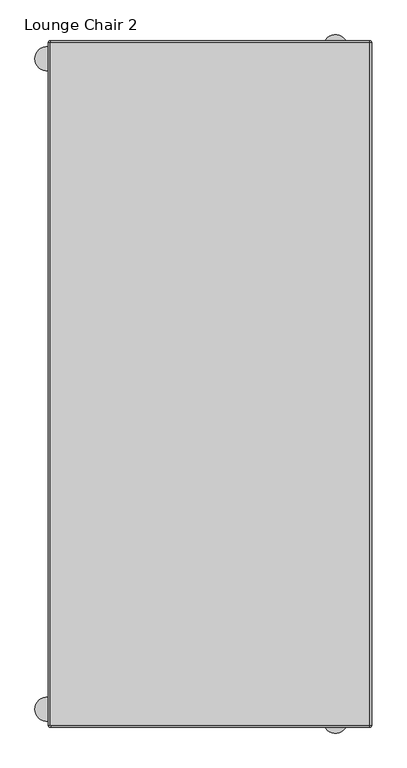
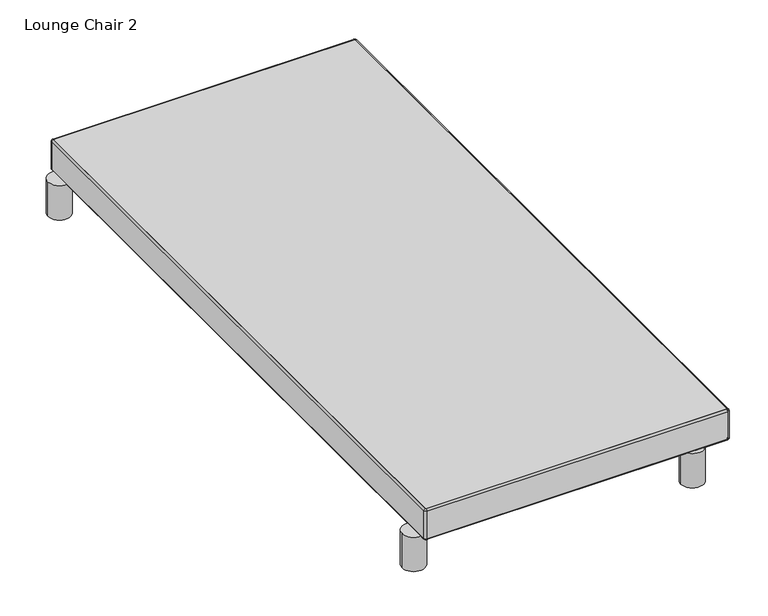
"""IFC4 building model written with IfcOpenShell, lengths in millimetres: furniture geometry, Lounge Chair 2."""

from ifc_helpers import new_model, si_unit, point, frame, frame_2d, origin, origin_with_axes, place, context, project, spatial, polyline, circle_curve, ellipse_curve, trimmed, segment, composite_curve, outline, extrude, source, transform, mapped, element, save
from ifc_brep_helpers import plane_surface, cylinder_surface, revolved_surface, advanced_brep


def lounge_chair_2_d383d413(model_context):
    return source(origin(), model_context, "Body", "SolidModel", [
        advanced_brep(
        [(381.6350121, -720.6249637, 145.9935673), (381.6350121, -720.6249637, 81.2235613), (381.6350121, 720.6249637, 81.2235613), (381.6350121, 720.6249637, 145.9935673), (376.5550121, 725.7049637, 81.2235613), (376.5550121, 725.7049637, 145.9935673), (-297.1800061, 725.7049637, 81.2235613), (-297.1800061, 725.7049637, 145.9935673), (-302.2600061, 720.6249637, 81.2235613), (-302.2600061, 720.6249637, 145.9935673), (-302.2600061, -720.6249637, 81.2235613), (-302.2600061, -720.6249637, 145.9935673), (-297.1800061, -725.7049637, 81.2235613), (-297.1800061, -725.7049637, 145.9935673), (376.5550121, -725.7049637, 81.2235613), (376.5550121, -725.7049637, 145.9935673), (376.5550121, -725.0699879, 145.9935673), (376.5550121, -725.0699879, 81.2235613), (-297.1800061, -725.0699879, 81.2235613), (-297.1800061, -725.0699879, 145.9935673), (-298.4500061, -723.7999879, 81.2235613), (-298.4500061, -723.7999879, 145.9935673), (-298.4500061, -720.6249637, 81.2235613), (-298.4500061, -720.6249637, 77.4135613), (-298.4500061, 720.6249637, 77.4135613), (-298.4500061, 720.6249637, 81.2235613), (-298.4500061, 720.6249637, 145.9935673), (-298.4500061, 720.6249637, 149.8035673), (-298.4500061, -720.6249637, 149.8035673), (-298.4500061, -720.6249637, 145.9935673), (-297.1800061, 721.8949637, 81.2235613), (-297.1800061, 721.8949637, 145.9935673), (-297.1800061, 721.8949637, 77.4135613), (376.5550121, 721.8949637, 77.4135613), (376.5550121, 721.8949637, 81.2235613), (376.5550121, 721.8949637, 145.9935673), (376.5550121, 721.8949637, 149.8035673), (-297.1800061, 721.8949637, 149.8035673), (377.8250121, 720.6249637, 81.2235613), (377.8250121, 720.6249637, 145.9935673), (377.8250121, 720.6249637, 77.4135613), (377.8250121, -720.6249637, 77.4135613), (377.8250121, -720.6249637, 81.2235613), (377.8250121, -723.7999879, 81.2235613), (377.8250121, -723.7999879, 145.9935673), (377.8250121, -720.6249637, 145.9935673), (377.8250121, -720.6249637, 149.8035673), (377.8250121, 720.6249637, 149.8035673), (-297.1800061, -721.8949637, 149.8035673), (-297.1800061, -721.8949637, 145.9935673), (-297.1800061, -721.8949637, 81.2235613), (-297.1800061, -721.8949637, 77.4135613), (376.5550121, -721.8949637, 149.8035673), (376.5550121, -721.8949637, 145.9935673), (376.5550121, -721.8949637, 81.2235613), (376.5550121, -721.8949637, 77.4135613)],
        [
            (0, 1),
            (1, 2),
            (2, 3),
            (3, 0),
            (2, 4, circle_curve(frame((376.5550121, 720.6249637, 81.2235613), z_axis=(0.0, 0.0, 1.0), x_axis=(0.0, -1.0, 0.0)), 5.08)),
            (4, 5),
            (5, 3, circle_curve(frame((376.5550121, 720.6249637, 145.9935673), z_axis=(0.0, 0.0, -1.0), x_axis=(0.0, -1.0, 0.0)), 5.08)),
            (4, 6),
            (6, 7),
            (7, 5),
            (6, 8, circle_curve(frame((-297.1800061, 720.6249637, 81.2235613), z_axis=(0.0, 0.0, 1.0), x_axis=(0.0, -1.0, 0.0)), 5.08)),
            (8, 9),
            (9, 7, circle_curve(frame((-297.1800061, 720.6249637, 145.9935673), z_axis=(0.0, 0.0, -1.0), x_axis=(0.0, -1.0, 0.0)), 5.08)),
            (8, 10),
            (10, 11),
            (11, 9),
            (10, 12, circle_curve(frame((-297.1800061, -720.6249637, 81.2235613), z_axis=(0.0, 0.0, 1.0), x_axis=(0.0, -1.0, 0.0)), 5.08)),
            (12, 13),
            (13, 11, circle_curve(frame((-297.1800061, -720.6249637, 145.9935673), z_axis=(0.0, 0.0, -1.0), x_axis=(0.0, -1.0, 0.0)), 5.08)),
            (12, 14),
            (14, 15),
            (15, 13),
            (0, 15, circle_curve(frame((376.5550121, -720.6249637, 145.9935673), z_axis=(0.0, 0.0, -1.0), x_axis=(0.0, -1.0, 0.0)), 5.08)),
            (14, 1, circle_curve(frame((376.5550121, -720.6249637, 81.2235613), z_axis=(0.0, 0.0, 1.0), x_axis=(0.0, -1.0, 0.0)), 5.08)),
            (16, 17),
            (17, 18),
            (18, 19),
            (19, 16),
            (18, 20, circle_curve(frame((-297.1800061, -723.7999879, 81.2235613), z_axis=(0.0, 0.0, -1.0), x_axis=(0.0, -1.0, 0.0)), 1.27)),
            (20, 21),
            (21, 19, circle_curve(frame((-297.1800061, -723.7999879, 145.9935673), z_axis=(0.0, 0.0, 1.0), x_axis=(0.0, -1.0, 0.0)), 1.27)),
            (20, 22),
            (22, 23),
            (23, 24),
            (24, 25),
            (25, 26),
            (26, 27),
            (27, 28),
            (28, 29),
            (29, 21),
            (25, 30, circle_curve(frame((-297.1800061, 720.6249637, 81.2235613), z_axis=(0.0, 0.0, -1.0), x_axis=(0.0, -1.0, 0.0)), 1.27)),
            (30, 31),
            (31, 26, circle_curve(frame((-297.1800061, 720.6249637, 145.9935673), z_axis=(0.0, 0.0, 1.0), x_axis=(0.0, -1.0, 0.0)), 1.27)),
            (30, 32),
            (32, 33),
            (33, 34),
            (34, 35),
            (35, 36),
            (36, 37),
            (37, 31),
            (34, 38, circle_curve(frame((376.5550121, 720.6249637, 81.2235613), z_axis=(0.0, 0.0, -1.0), x_axis=(0.0, -1.0, 0.0)), 1.27)),
            (38, 39),
            (39, 35, circle_curve(frame((376.5550121, 720.6249637, 145.9935673), z_axis=(0.0, 0.0, 1.0), x_axis=(0.0, -1.0, 0.0)), 1.27)),
            (38, 40),
            (40, 41),
            (41, 42),
            (42, 43),
            (43, 44),
            (44, 45),
            (45, 46),
            (46, 47),
            (47, 39),
            (16, 44, circle_curve(frame((376.5550121, -723.7999879, 145.9935673), z_axis=(0.0, 0.0, 1.0), x_axis=(0.0, -1.0, 0.0)), 1.27)),
            (43, 17, circle_curve(frame((376.5550121, -723.7999879, 81.2235613), z_axis=(0.0, 0.0, -1.0), x_axis=(0.0, -1.0, 0.0)), 1.27)),
            (46, 0, circle_curve(frame((377.8250121, -720.6249637, 145.9935673), z_axis=(0.0, 1.0, 0.0), x_axis=(-1.0, 0.0, 0.0)), 3.81)),
            (3, 47, circle_curve(frame((377.8250121, 720.6249637, 145.9935673), z_axis=(0.0, -1.0, 0.0), x_axis=(-1.0, 0.0, 0.0)), 3.81)),
            (40, 2, circle_curve(frame((377.8250121, 720.6249637, 81.2235613), z_axis=(0.0, -1.0, 0.0), x_axis=(-1.0, 0.0, 0.0)), 3.81)),
            (1, 41, circle_curve(frame((377.8250121, -720.6249637, 81.2235613), z_axis=(0.0, 1.0, 0.0), x_axis=(-1.0, 0.0, 0.0)), 3.81)),
            (36, 5, circle_curve(frame((376.5550121, 721.8949637, 145.9935673), z_axis=(-1.0, 0.0, 0.0), x_axis=(0.0, -1.0, 0.0)), 3.81)),
            (7, 37, circle_curve(frame((-297.1800061, 721.8949637, 145.9935673), z_axis=(1.0, 0.0, 0.0), x_axis=(0.0, -1.0, 0.0)), 3.81)),
            (32, 6, circle_curve(frame((-297.1800061, 721.8949637, 81.2235613), z_axis=(1.0, 0.0, 0.0), x_axis=(0.0, -1.0, 0.0)), 3.81)),
            (4, 33, circle_curve(frame((376.5550121, 721.8949637, 81.2235613), z_axis=(-1.0, 0.0, 0.0), x_axis=(0.0, -1.0, 0.0)), 3.81)),
            (27, 9, circle_curve(frame((-298.4500061, 720.6249637, 145.9935673), z_axis=(0.0, -1.0, 0.0), x_axis=(1.0, 0.0, 0.0)), 3.81)),
            (11, 28, circle_curve(frame((-298.4500061, -720.6249637, 145.9935673), z_axis=(0.0, 1.0, 0.0), x_axis=(1.0, 0.0, 0.0)), 3.81)),
            (23, 10, circle_curve(frame((-298.4500061, -720.6249637, 81.2235613), z_axis=(0.0, 1.0, 0.0), x_axis=(1.0, 0.0, 0.0)), 3.81)),
            (8, 24, circle_curve(frame((-298.4500061, 720.6249637, 81.2235613), z_axis=(0.0, -1.0, 0.0), x_axis=(1.0, 0.0, 0.0)), 3.81)),
            (36, 47, circle_curve(frame((376.5550121, 720.6249637, 149.8035673), z_axis=(0.0, 0.0, -1.0), x_axis=(1.0, 0.0, 0.0)), 1.27)),
            (33, 40, circle_curve(frame((376.5550121, 720.6249637, 77.4135613), z_axis=(0.0, 0.0, -1.0), x_axis=(1.0, 0.0, 0.0)), 1.27)),
            (27, 37, circle_curve(frame((-297.1800061, 720.6249637, 149.8035673), z_axis=(0.0, 0.0, -1.0), x_axis=(0.0, 1.0, 0.0)), 1.27)),
            (24, 32, circle_curve(frame((-297.1800061, 720.6249637, 77.4135613), z_axis=(0.0, 0.0, -1.0), x_axis=(0.0, 1.0, 0.0)), 1.27)),
            (13, 48, circle_curve(frame((-297.1800061, -721.8949637, 145.9935673), z_axis=(-1.0, 0.0, 0.0), x_axis=(0.0, 1.0, 0.0)), 3.81)),
            (48, 28, circle_curve(frame((-297.1800061, -720.6249637, 149.8035673), z_axis=(0.0, 0.0, -1.0), x_axis=(-1.0, 0.0, 0.0)), 1.27)),
            (48, 49),
            (49, 29, circle_curve(frame((-297.1800061, -720.6249637, 145.9935673), z_axis=(0.0, 0.0, -1.0), x_axis=(-1.0, 0.0, 0.0)), 1.27)),
            (22, 50, circle_curve(frame((-297.1800061, -720.6249637, 81.2235613), z_axis=(0.0, 0.0, 1.0), x_axis=(-1.0, 0.0, 0.0)), 1.27)),
            (50, 51),
            (51, 23, circle_curve(frame((-297.1800061, -720.6249637, 77.4135613), z_axis=(0.0, 0.0, -1.0), x_axis=(-1.0, 0.0, 0.0)), 1.27)),
            (51, 12, circle_curve(frame((-297.1800061, -721.8949637, 81.2235613), z_axis=(-1.0, 0.0, 0.0), x_axis=(0.0, 1.0, 0.0)), 3.81)),
            (15, 52, circle_curve(frame((376.5550121, -721.8949637, 145.9935673), z_axis=(-1.0, 0.0, 0.0), x_axis=(0.0, 1.0, 0.0)), 3.81)),
            (52, 48),
            (52, 53),
            (53, 49),
            (50, 54),
            (54, 55),
            (55, 51),
            (55, 14, circle_curve(frame((376.5550121, -721.8949637, 81.2235613), z_axis=(-1.0, 0.0, 0.0), x_axis=(0.0, 1.0, 0.0)), 3.81)),
            (53, 45, circle_curve(frame((376.5550121, -720.6249637, 145.9935673), z_axis=(0.0, 0.0, 1.0), x_axis=(0.0, -1.0, 0.0)), 1.27)),
            (46, 52, circle_curve(frame((376.5550121, -720.6249637, 149.8035673), z_axis=(0.0, 0.0, -1.0), x_axis=(0.0, -1.0, 0.0)), 1.27)),
            (41, 55, circle_curve(frame((376.5550121, -720.6249637, 77.4135613), z_axis=(0.0, 0.0, -1.0), x_axis=(0.0, -1.0, 0.0)), 1.27)),
            (54, 42, circle_curve(frame((376.5550121, -720.6249637, 81.2235613), z_axis=(0.0, 0.0, 1.0), x_axis=(0.0, -1.0, 0.0)), 1.27)),
        ],
        [
            plane_surface(frame((381.6350121, -720.6249637, 145.9935673), z_axis=(1.0, 0.0, 0.0), x_axis=(0.0, 0.0, -1.0))),
            cylinder_surface(frame((376.5550121, 720.6249637, 81.2235613), z_axis=(0.0, 0.0, 1.0), x_axis=(0.0, -1.0, 0.0)), 5.08),
            plane_surface(frame((376.5550121, 725.7049637, 145.9935673), z_axis=(0.0, 1.0, 0.0), x_axis=(0.0, 0.0, -1.0))),
            cylinder_surface(frame((-297.1800061, 720.6249637, 81.2235613), z_axis=(0.0, 0.0, 1.0), x_axis=(0.0, -1.0, 0.0)), 5.08),
            plane_surface(frame((-302.2600061, 720.6249637, 145.9935673), z_axis=(-1.0, 0.0, 0.0), x_axis=(0.0, 0.0, -1.0))),
            cylinder_surface(frame((-297.1800061, -720.6249637, 81.2235613), z_axis=(0.0, 0.0, 1.0), x_axis=(0.0, -1.0, 0.0)), 5.08),
            plane_surface(frame((-297.1800061, -725.7049637, 145.9935673), z_axis=(0.0, -1.0, 0.0), x_axis=(0.0, 0.0, -1.0))),
            cylinder_surface(frame((376.5550121, -720.6249637, 81.2235613), z_axis=(0.0, 0.0, 1.0), x_axis=(0.0, -1.0, 0.0)), 5.08),
            plane_surface(frame((376.5550121, -725.0699879, 145.9935673), z_axis=(0.0, 1.0, 0.0), x_axis=(0.0, 0.0, -1.0))),
            revolved_surface(polyline([(-297.1800061, -725.0699879, 81.2235613), (-297.1800061, -725.0699879, 145.9935673)]), (-297.1800061, -723.7999879, 81.2235613), (0.0, 0.0, -1.0)),
            plane_surface(frame((-298.4500061, -723.7999879, 145.9935673), z_axis=(1.0, 0.0, 0.0), x_axis=(0.0, 0.0, -1.0))),
            revolved_surface(polyline([(-297.1800061, 719.3549637, 81.2235613), (-297.1800061, 719.3549637, 145.9935673)]), (-297.1800061, 720.6249637, 81.2235613), (0.0, 0.0, -1.0)),
            plane_surface(frame((-297.1800061, 721.8949637, 145.9935673), z_axis=(0.0, -1.0, 0.0), x_axis=(0.0, 0.0, -1.0))),
            revolved_surface(polyline([(376.5550121, 719.3549637, 81.2235613), (376.5550121, 719.3549637, 145.9935673)]), (376.5550121, 720.6249637, 81.2235613), (0.0, 0.0, -1.0)),
            plane_surface(frame((377.8250121, 720.6249637, 145.9935673), z_axis=(-1.0, 0.0, 0.0), x_axis=(0.0, 0.0, -1.0))),
            revolved_surface(polyline([(376.5550121, -725.0699879, 81.2235613), (376.5550121, -725.0699879, 145.9935673)]), (376.5550121, -723.7999879, 81.2235613), (0.0, 0.0, -1.0)),
            cylinder_surface(frame((377.8250121, -720.6249637, 145.9935673), z_axis=(0.0, -1.0, 0.0), x_axis=(-1.0, 0.0, 0.0)), 3.81),
            cylinder_surface(frame((377.8250121, -720.6249637, 81.2235613), z_axis=(0.0, -1.0, 0.0), x_axis=(-1.0, 0.0, 0.0)), 3.81),
            cylinder_surface(frame((376.5550121, 721.8949637, 145.9935673), z_axis=(1.0, 0.0, 0.0), x_axis=(0.0, -1.0, 0.0)), 3.81),
            cylinder_surface(frame((376.5550121, 721.8949637, 81.2235613), z_axis=(1.0, 0.0, 0.0), x_axis=(0.0, -1.0, 0.0)), 3.81),
            cylinder_surface(frame((-298.4500061, 720.6249637, 145.9935673), z_axis=(0.0, 1.0, 0.0), x_axis=(1.0, 0.0, 0.0)), 3.81),
            cylinder_surface(frame((-298.4500061, 720.6249637, 81.2235613), z_axis=(0.0, 1.0, 0.0), x_axis=(1.0, 0.0, 0.0)), 3.81),
            revolved_surface(trimmed(ellipse_curve(frame((377.8250121, 720.6249637, 145.9935673), z_axis=(0.0, -1.0, 0.0), x_axis=(-1.0, 0.0, 0.0)), 3.81, 3.81), [point((381.6350121, 720.6249637, 145.9935673))], [point((377.8250121, 720.6249637, 149.8035673))], True, "CARTESIAN"), (376.5550121, 720.6249637, 148.5335673), (0.0, 0.0, 1.0)),
            revolved_surface(polyline([(377.8250121, 720.6249637, 149.8035673), (377.8250121, 720.6249637, 145.9935673)]), (376.5550121, 720.6249637, 148.5335673), (0.0, 0.0, 1.0)),
            revolved_surface(polyline([(377.8250121, 720.6249637, 81.2235613), (377.8250121, 720.6249637, 77.4135613)]), (376.5550121, 720.6249637, 148.5335673), (0.0, 0.0, 1.0)),
            revolved_surface(trimmed(ellipse_curve(frame((377.8250121, 720.6249637, 81.2235613), z_axis=(0.0, -1.0, 0.0), x_axis=(-1.0, 0.0, 0.0)), 3.81, 3.81), [point((377.8250121, 720.6249637, 77.4135613))], [point((381.6350121, 720.6249637, 81.2235613))], True, "CARTESIAN"), (376.5550121, 720.6249637, 148.5335673), (0.0, 0.0, 1.0)),
            revolved_surface(trimmed(ellipse_curve(frame((-297.1800061, 721.8949637, 145.9935673), z_axis=(1.0, 0.0, 0.0), x_axis=(0.0, -1.0, 0.0)), 3.81, 3.81), [point((-297.1800061, 725.7049637, 145.9935673))], [point((-297.1800061, 721.8949637, 149.8035673))], True, "CARTESIAN"), (-297.1800061, 720.6249637, 148.5335673), (0.0, 0.0, 1.0)),
            revolved_surface(polyline([(-297.1800061, 721.8949637, 149.8035673), (-297.1800061, 721.8949637, 145.9935673)]), (-297.1800061, 720.6249637, 148.5335673), (0.0, 0.0, 1.0)),
            revolved_surface(polyline([(-297.1800061, 721.8949637, 81.2235613), (-297.1800061, 721.8949637, 77.4135613)]), (-297.1800061, 720.6249637, 148.5335673), (0.0, 0.0, 1.0)),
            revolved_surface(trimmed(ellipse_curve(frame((-297.1800061, 721.8949637, 81.2235613), z_axis=(1.0, 0.0, 0.0), x_axis=(0.0, -1.0, 0.0)), 3.81, 3.81), [point((-297.1800061, 721.8949637, 77.4135613))], [point((-297.1800061, 725.7049637, 81.2235613))], True, "CARTESIAN"), (-297.1800061, 720.6249637, 148.5335673), (0.0, 0.0, 1.0)),
            revolved_surface(trimmed(ellipse_curve(frame((-298.4500061, -720.6249637, 145.9935673), z_axis=(0.0, 1.0, 0.0), x_axis=(1.0, 0.0, 0.0)), 3.81, 3.81), [point((-302.2600061, -720.6249637, 145.9935673))], [point((-298.4500061, -720.6249637, 149.8035673))], True, "CARTESIAN"), (-297.1800061, -720.6249637, 148.5335673), (0.0, 0.0, 1.0)),
            revolved_surface(polyline([(-298.4500061, -720.6249637, 149.8035673), (-298.4500061, -720.6249637, 145.9935673)]), (-297.1800061, -720.6249637, 148.5335673), (0.0, 0.0, 1.0)),
            revolved_surface(polyline([(-298.4500061, -720.6249637, 81.2235613), (-298.4500061, -720.6249637, 77.4135613)]), (-297.1800061, -720.6249637, 148.5335673), (0.0, 0.0, 1.0)),
            revolved_surface(trimmed(ellipse_curve(frame((-298.4500061, -720.6249637, 81.2235613), z_axis=(0.0, 1.0, 0.0), x_axis=(1.0, 0.0, 0.0)), 3.81, 3.81), [point((-298.4500061, -720.6249637, 77.4135613))], [point((-302.2600061, -720.6249637, 81.2235613))], True, "CARTESIAN"), (-297.1800061, -720.6249637, 148.5335673), (0.0, 0.0, 1.0)),
            cylinder_surface(frame((-297.1800061, -721.8949637, 145.9935673), z_axis=(-1.0, 0.0, 0.0), x_axis=(0.0, 1.0, 0.0)), 3.81),
            plane_surface(frame((-297.1800061, -721.8949637, 149.8035673), z_axis=(0.0, 1.0, 0.0), x_axis=(1.0, 0.0, 0.0))),
            plane_surface(frame((-297.1800061, -721.8949637, 81.2235613), z_axis=(0.0, 1.0, 0.0), x_axis=(1.0, 0.0, 0.0))),
            cylinder_surface(frame((-297.1800061, -721.8949637, 81.2235613), z_axis=(-1.0, 0.0, 0.0), x_axis=(0.0, 1.0, 0.0)), 3.81),
            plane_surface(frame((376.5550121, -720.6249637, 145.9935673), z_axis=(0.0, 0.0, -1.0), x_axis=(0.0, -1.0, 0.0))),
            revolved_surface(trimmed(ellipse_curve(frame((376.5550121, -721.8949637, 145.9935673), z_axis=(-1.0, 0.0, 0.0), x_axis=(0.0, 1.0, 0.0)), 3.81, 3.81), [point((376.5550121, -725.7049637, 145.9935673))], [point((376.5550121, -721.8949637, 149.8035673))], True, "CARTESIAN"), (376.5550121, -720.6249637, 148.5335673), (0.0, 0.0, 1.0)),
            revolved_surface(polyline([(376.5550121, -721.8949637, 149.8035673), (376.5550121, -721.8949637, 145.9935673)]), (376.5550121, -720.6249637, 148.5335673), (0.0, 0.0, 1.0)),
            revolved_surface(polyline([(376.5550121, -721.8949637, 81.2235613), (376.5550121, -721.8949637, 77.4135613)]), (376.5550121, -720.6249637, 148.5335673), (0.0, 0.0, 1.0)),
            revolved_surface(trimmed(ellipse_curve(frame((376.5550121, -721.8949637, 81.2235613), z_axis=(-1.0, 0.0, 0.0), x_axis=(0.0, 1.0, 0.0)), 3.81, 3.81), [point((376.5550121, -721.8949637, 77.4135613))], [point((376.5550121, -725.7049637, 81.2235613))], True, "CARTESIAN"), (376.5550121, -720.6249637, 148.5335673), (0.0, 0.0, 1.0)),
            plane_surface(frame((376.5550121, -720.6249637, 81.2235613), z_axis=(0.0, 0.0, 1.0), x_axis=(0.0, -1.0, 0.0))),
        ],
        [
            (0, [[1, 2, 3, 4]]),
            (1, [[-3, 5, 6, 7]]),
            (2, [[-6, 8, 9, 10]]),
            (3, [[-9, 11, 12, 13]]),
            (4, [[-12, 14, 15, 16]]),
            (5, [[-15, 17, 18, 19]]),
            (6, [[-18, 20, 21, 22]]),
            (7, [[-1, 23, -21, 24]]),
            (8, [[25, 26, 27, 28]]),
            (9, [[-27, 29, 30, 31]]),
            (10, [[-30, 32, 33, 34, 35, 36, 37, 38, 39, 40]]),
            (11, [[-36, 41, 42, 43]]),
            (12, [[-42, 44, 45, 46, 47, 48, 49, 50]]),
            (13, [[-47, 51, 52, 53]]),
            (14, [[-52, 54, 55, 56, 57, 58, 59, 60, 61, 62]]),
            (15, [[-25, 63, -58, 64]]),
            (16, [[65, -4, 66, -61]]),
            (17, [[-55, 67, -2, 68]]),
            (18, [[69, -10, 70, -49]]),
            (19, [[-45, 71, -8, 72]]),
            (20, [[73, -16, 74, -38]]),
            (21, [[-34, 75, -14, 76]]),
            (22, [[-66, -7, -69, 77]]),
            (23, [[-62, -77, -48, -53]]),
            (24, [[-54, -51, -46, 78]]),
            (25, [[-67, -78, -72, -5]]),
            (26, [[-70, -13, -73, 79]]),
            (27, [[-50, -79, -37, -43]]),
            (28, [[-44, -41, -35, 80]]),
            (29, [[-71, -80, -76, -11]]),
            (30, [[-74, -19, 81, 82]]),
            (31, [[-39, -82, 83, 84]]),
            (32, [[-33, 85, 86, 87]]),
            (33, [[-75, -87, 88, -17]]),
            (34, [[-81, -22, 89, 90]]),
            (35, [[-83, -90, 91, 92]]),
            (36, [[-86, 93, 94, 95]]),
            (37, [[-88, -95, 96, -20]]),
            (38, [[-84, -92, 97, -59, -63, -28, -31, -40]]),
            (39, [[-65, 98, -89, -23]]),
            (40, [[-60, -97, -91, -98]]),
            (41, [[-56, 99, -94, 100]]),
            (42, [[-68, -24, -96, -99]]),
            (43, [[-85, -32, -29, -26, -64, -57, -100, -93]]),
        ],
    ),
        extrude(outline(composite_curve([segment(polyline([(-297.1800061, 721.8949637), (376.5550121, 721.8949637)]), True, "CONTINUOUS"), segment(trimmed(circle_curve(frame_2d((376.5550121, 720.6249637)), 1.27), [point((376.5550121, 721.8949637))], [point((377.8250121, 720.6249637))], False, "CARTESIAN"), True, "CONTINUOUS"), segment(polyline([(377.8250121, 720.6249637), (377.8250121, -720.6249637)]), True, "CONTINUOUS"), segment(trimmed(circle_curve(frame_2d((376.5550121, -720.6249637)), 1.27), [point((377.8250121, -720.6249637))], [point((376.5550121, -721.8949637))], False, "CARTESIAN"), True, "CONTINUOUS"), segment(polyline([(376.5550121, -721.8949637), (-297.1800061, -721.8949637)]), True, "CONTINUOUS"), segment(trimmed(circle_curve(frame_2d((-297.1800061, -720.6249637)), 1.27), [point((-297.1800061, -721.8949637))], [point((-298.4500061, -720.6249637))], False, "CARTESIAN"), True, "CONTINUOUS"), segment(polyline([(-298.4500061, -720.6249637), (-298.4500061, 720.6249637)]), True, "CONTINUOUS"), segment(trimmed(circle_curve(frame_2d((-297.1800061, 720.6249637)), 1.27), [point((-298.4500061, 720.6249637))], [point((-297.1800061, 721.8949637))], False, "CARTESIAN"), True, "CONTINUOUS")], self_intersect=False)), frame((0.0, 0.0, 77.4135613), z_axis=(0.0, 0.0, 1.0), x_axis=(1.0, 0.0, 0.0)), (0.0, 0.0, 1.0), 72.3900061),
        extrude(outline(composite_curve([segment(trimmed(circle_curve(frame_2d((-304.7999981, 686.9699663)), 25.4), [point((-330.1999981, 686.9699663))], [point((-279.3999981, 686.9699663))], False, "CARTESIAN"), True, "CONTINUOUS"), segment(trimmed(circle_curve(frame_2d((-304.7999981, 686.9699663)), 25.4), [point((-279.3999981, 686.9699663))], [point((-330.1999981, 686.9699663))], False, "CARTESIAN"), True, "CONTINUOUS")], self_intersect=False)), origin_with_axes(), (0.0, 0.0, 1.0), 81.2235613),
        extrude(outline(composite_curve([segment(trimmed(circle_curve(frame_2d((304.8000061, 712.3699637)), 25.4), [point((279.4000061, 712.3699637))], [point((330.2000061, 712.3699637))], False, "CARTESIAN"), True, "CONTINUOUS"), segment(trimmed(circle_curve(frame_2d((304.8000061, 712.3699637)), 25.4), [point((330.2000061, 712.3699637))], [point((279.4000061, 712.3699637))], False, "CARTESIAN"), True, "CONTINUOUS")], self_intersect=False)), origin_with_axes(), (0.0, 0.0, 1.0), 81.2235613),
        extrude(outline(composite_curve([segment(trimmed(circle_curve(frame_2d((-304.8000121, -686.9699879)), 25.4), [point((-330.2000121, -686.9699879))], [point((-279.4000121, -686.9699879))], False, "CARTESIAN"), True, "CONTINUOUS"), segment(trimmed(circle_curve(frame_2d((-304.8000121, -686.9699879)), 25.4), [point((-279.4000121, -686.9699879))], [point((-330.2000121, -686.9699879))], False, "CARTESIAN"), True, "CONTINUOUS")], self_intersect=False)), origin_with_axes(), (0.0, 0.0, 1.0), 81.2235613),
        extrude(outline(composite_curve([segment(trimmed(circle_curve(frame_2d((304.8000061, -712.3699637)), 25.4), [point((279.4000061, -712.3699637))], [point((330.2000061, -712.3699637))], False, "CARTESIAN"), True, "CONTINUOUS"), segment(trimmed(circle_curve(frame_2d((304.8000061, -712.3699637)), 25.4), [point((330.2000061, -712.3699637))], [point((279.4000061, -712.3699637))], False, "CARTESIAN"), True, "CONTINUOUS")], self_intersect=False)), origin_with_axes(), (0.0, 0.0, 1.0), 81.2235613),
    ])


if __name__ == "__main__":
    model = new_model("IFC4")
    model_context = context("Model", 3, world=origin())
    ifc_project = project(units=[si_unit("LENGTHUNIT", "METRE", prefix="MILLI")], contexts=[model_context])
    site = spatial("IfcSite", under=ifc_project)
    building = spatial("IfcBuilding", under=site)
    placement = place(None, origin())
    lounge_chair_2_shape = lounge_chair_2_d383d413(model_context)
    element("IfcFurniture", 1, ObjectType="Lounge Chair 2", at=placement, inside=building, context=model_context, shape_type="MappedRepresentation", body=[
        mapped(lounge_chair_2_shape, transform((0.0, 0.0, 0.0), x_axis=(1.0, 0.0, 0.0), y_axis=(0.0, 1.0, 0.0), z_axis=(0.0, 0.0, 1.0))),
    ])
    save(model, "model.ifc")
